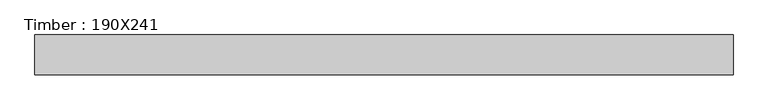
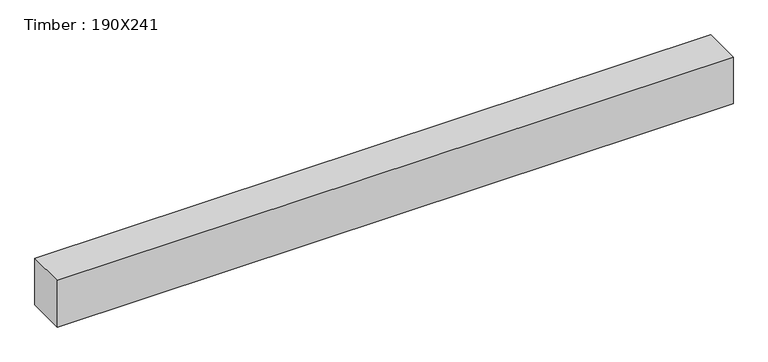
"""IFC4 building model written with IfcOpenShell, lengths in millimetres: beam geometry, Timber : 190X241."""

from ifc_helpers import new_model, si_unit, frame, origin, place, context, project, spatial, polyline, outline, extrude, source, transform, mapped, element, save


def timber_190x241_bde1b958(model_context):
    return source(origin(), model_context, "Body", "SweptSolid", [
        extrude(outline(polyline([(1550.5, 95.0), (1550.5, -95.0), (-1758.5, -95.0), (-1758.5, 95.0), (1550.5, 95.0)])), frame((0.0, 0.0, -120.5), z_axis=(0.0, 0.0, 1.0), x_axis=(1.0, 0.0, 0.0)), (0.0, 0.0, 1.0), 241.0),
    ])


if __name__ == "__main__":
    model = new_model("IFC4")
    model_context = context("Model", 3, world=origin())
    ifc_project = project(units=[si_unit("LENGTHUNIT", "METRE", prefix="MILLI")], contexts=[model_context])
    site = spatial("IfcSite", under=ifc_project)
    building = spatial("IfcBuilding", under=site)
    placement = place(None, origin())
    timber_190x241_shape = timber_190x241_bde1b958(model_context)
    element("IfcBeam", 1, ObjectType="Timber : 190X241", at=placement, inside=building, context=model_context, shape_type="MappedRepresentation", body=[
        mapped(timber_190x241_shape, transform((0.0, 0.0, 0.0), x_axis=(1.0, 0.0, 0.0), y_axis=(0.0, 1.0, 0.0), z_axis=(0.0, 0.0, 1.0))),
    ])
    save(model, "model.ifc")
